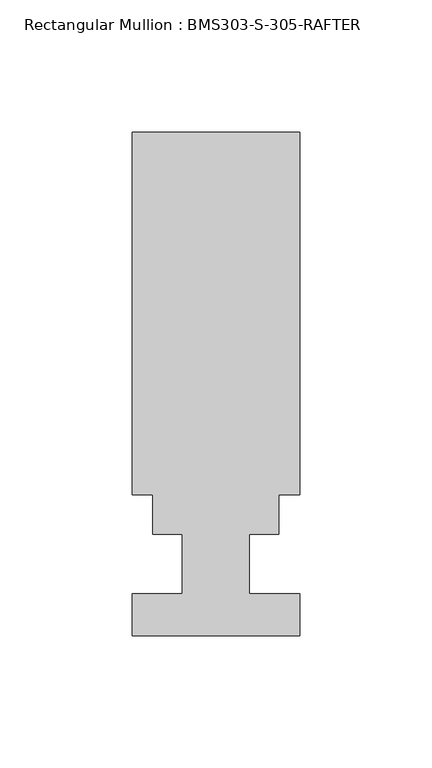
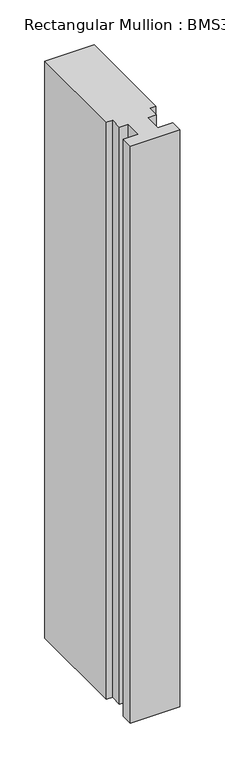
"""IFC4 building model written with IfcOpenShell, lengths in millimetres: member geometry, Rectangular Mullion : BMS303-S-305-RAFTER."""

import ifcopenshell
import ifcopenshell.guid

model = None  # the IFC model being written
_history = None  # IfcOwnerHistory: only IFC2X3 demands one
_inside = {}  # id of a spatial element -> (the spatial element, [elements in it])
_under = {}  # id of a project, library or spatial element -> (it, [spatial elements below it])
_declared = {}  # id of a project -> (the project, [libraries it declares])
_typed = {}  # id of a type object -> (the type object, [elements of that type])
_made_of = {}  # id of a material, layer set ... -> (it, [elements and type objects made of it])


def new_model(schema):
    """Start an empty IFC model of exactly this schema.

    Asked for "IFC4X3", IfcOpenShell would pick the latest addendum, in which some entities
    have other attributes; the version numbers below select the first issue.
    IFC2X3 requires an IfcOwnerHistory on every rooted entity: one is made here for all.
    """
    global model, _history
    if schema == "IFC4X3":
        model = ifcopenshell.file(schema_version=(4, 3, 0, 0))
    else:
        model = ifcopenshell.file(schema=schema)
    _inside.clear()
    _under.clear()
    _declared.clear()
    _typed.clear()
    _made_of.clear()
    _history = None
    if model.schema == "IFC2X3":
        org = make("IfcOrganization", Name="unknown")
        user = make(
            "IfcPersonAndOrganization",
            ThePerson=make("IfcPerson", FamilyName="unknown"),
            TheOrganization=org,
        )
        app = make(
            "IfcApplication",
            ApplicationDeveloper=org,
            Version="unknown",
            ApplicationFullName="unknown",
            ApplicationIdentifier="unknown",
        )
        _history = make(
            "IfcOwnerHistory",
            OwningUser=user,
            OwningApplication=app,
            ChangeAction="ADDED",
            CreationDate=0,
        )
    return model


def make(cls, **values):
    """One entity of the class cls with the attributes given. An attribute that is None is left unset."""
    return model.create_entity(
        cls, **{name: value for name, value in values.items() if value is not None}
    )


def rooted(cls, **values):
    """An entity with a GlobalId (a new one), such as an element, a storey or a relation."""
    return make(cls, GlobalId=ifcopenshell.guid.new(), OwnerHistory=_history, **values)


def si_unit(unit_type, name, prefix=None):
    """IfcSIUnit, for example si_unit("LENGTHUNIT", "METRE", prefix="MILLI")."""
    return make("IfcSIUnit", UnitType=unit_type, Prefix=prefix, Name=name)


def assignment(units):
    """IfcUnitAssignment: the units of a project."""
    return None if units is None else make("IfcUnitAssignment", Units=units)


def point(xyz):
    """IfcCartesianPoint."""
    return None if xyz is None else make("IfcCartesianPoint", Coordinates=xyz)


def direction(xyz):
    """IfcDirection."""
    return None if xyz is None else make("IfcDirection", DirectionRatios=xyz)


def frame(location, z_axis=None, x_axis=None):
    """IfcAxis2Placement3D, a coordinate frame: its origin and axes. An axis left out is left unset."""
    return make(
        "IfcAxis2Placement3D",
        Location=point(location),
        Axis=direction(z_axis),
        RefDirection=direction(x_axis),
    )


def origin():
    """The frame at (0, 0, 0) with its axes left unset."""
    return frame((0.0, 0.0, 0.0))


def place(relative_to, where):
    """IfcLocalPlacement: puts the frame where relative to a parent placement (None: the world)."""
    return make(
        "IfcLocalPlacement", PlacementRelTo=relative_to, RelativePlacement=where
    )


def context(
    kind, dimensions, precision=None, world=None, true_north=None, identifier=None
):
    """IfcGeometricRepresentationContext, for example the 3D "Model" context."""
    return make(
        "IfcGeometricRepresentationContext",
        ContextIdentifier=identifier,
        ContextType=kind,
        CoordinateSpaceDimension=dimensions,
        Precision=precision,
        WorldCoordinateSystem=world,
        TrueNorth=true_north,
    )


def project(units=None, contexts=None):
    """IfcProject with its units and contexts."""
    return rooted(
        "IfcProject",
        Name="project",
        RepresentationContexts=contexts,
        UnitsInContext=assignment(units),
    )


def spatial(cls, under=None, at=None, **own):
    """A site, building, storey or space (cls), placed at a placement, below another one or the project."""
    s = rooted(cls, ObjectPlacement=at, **own)
    if under is not None:
        _under.setdefault(under.id(), (under, []))[1].append(s)
    return s


def polyline(points):
    """IfcPolyline through the points."""
    return make("IfcPolyline", Points=[point(p) for p in points])


def outline(outer, holes=None, kind="AREA"):
    """IfcArbitraryClosedProfileDef: a profile drawn as a closed curve; with holes, ...WithVoids."""
    if holes is None:
        return make("IfcArbitraryClosedProfileDef", ProfileType=kind, OuterCurve=outer)
    return make(
        "IfcArbitraryProfileDefWithVoids",
        ProfileType=kind,
        OuterCurve=outer,
        InnerCurves=holes,
    )


def extrude(swept, where, along, depth):
    """IfcExtrudedAreaSolid: the profile swept, set in the frame where, extruded along a direction by depth."""
    return make(
        "IfcExtrudedAreaSolid",
        SweptArea=swept,
        Position=where,
        ExtrudedDirection=direction(along),
        Depth=depth,
    )


def shape(context_of_items, identifier, shape_type, items):
    """IfcShapeRepresentation: the items that make up one representation, for example the "Body"."""
    return make(
        "IfcShapeRepresentation",
        ContextOfItems=context_of_items,
        RepresentationIdentifier=identifier,
        RepresentationType=shape_type,
        Items=items,
    )


def source(mapping_origin, context_of_items, identifier, shape_type, items):
    """IfcRepresentationMap: a shape defined once, which mapped items show again and again."""
    return make(
        "IfcRepresentationMap",
        MappingOrigin=mapping_origin,
        MappedRepresentation=shape(context_of_items, identifier, shape_type, items),
    )


def transform(
    local_origin,
    x_axis=None,
    y_axis=None,
    z_axis=None,
    scale=None,
    scale2=None,
    scale3=None,
    uniform=True,
):
    """IfcCartesianTransformationOperator3D, or its non-uniform kind. x_axis, y_axis, z_axis: its Axis1, 2, 3."""
    if uniform:
        return make(
            "IfcCartesianTransformationOperator3D",
            Axis1=direction(x_axis),
            Axis2=direction(y_axis),
            LocalOrigin=point(local_origin),
            Scale=scale,
            Axis3=direction(z_axis),
        )
    return make(
        "IfcCartesianTransformationOperator3DnonUniform",
        Axis1=direction(x_axis),
        Axis2=direction(y_axis),
        LocalOrigin=point(local_origin),
        Scale=scale,
        Axis3=direction(z_axis),
        Scale2=scale2,
        Scale3=scale3,
    )


def mapped(mapping_source, mapping_target):
    """IfcMappedItem: shows the shape of a source again, moved by a transform."""
    return make(
        "IfcMappedItem", MappingSource=mapping_source, MappingTarget=mapping_target
    )


def made_of(thing, what):
    """Note that an element or type object is made of a material, layer set ...; save() writes the relation."""
    if what is not None:
        _made_of.setdefault(what.id(), (what, []))[1].append(thing)
    return thing


def element(
    cls,
    number,
    at=None,
    inside=None,
    cuts=None,
    type_object=None,
    material=None,
    context=None,
    identifier="Body",
    shape_type=None,
    held_by="IfcProductDefinitionShape",
    body=None,
    shapes=None,
    **own,
):
    """One element of the class cls, such as IfcWall. Its Tag is "e" and its number.

    at: its placement. inside: the storey or other place that contains it. cuts: it is an
    opening in that element (IfcRelVoidsElement). A single representation is given by context,
    identifier, shape_type and body (its items); several are given by shapes. held_by: the class
    of the entity that holds the representations. save() writes the other relations.
    """
    e = rooted(cls, Tag="e%d" % number, ObjectPlacement=at, **own)
    if body is not None:
        shapes = [shape(context, identifier, shape_type, body)]
    if shapes is not None:
        e.Representation = make(held_by, Representations=shapes)
    if inside is not None:
        _inside.setdefault(inside.id(), (inside, []))[1].append(e)
    if cuts is not None:
        rooted(
            "IfcRelVoidsElement", RelatingBuildingElement=cuts, RelatedOpeningElement=e
        )
    if type_object is not None:
        _typed.setdefault(type_object.id(), (type_object, []))[1].append(e)
    return made_of(e, material)


def aggregate(whole, parts):
    """IfcRelAggregates: a whole, such as a stair, and the parts it consists of."""
    return rooted("IfcRelAggregates", RelatingObject=whole, RelatedObjects=parts)


def save(model, path):
    """Write the relations noted so far, then the file.

    IfcRelAggregates (storeys below a building ...), IfcRelContainedInSpatialStructure (elements
    in a storey), IfcRelDefinesByType, IfcRelAssociatesMaterial and IfcRelDeclares: one each for
    every whole, place, type object, material and project.
    """
    for whole, parts in _under.values():
        aggregate(whole, parts)
    for where, things in _inside.values():
        rooted(
            "IfcRelContainedInSpatialStructure",
            RelatedElements=things,
            RelatingStructure=where,
        )
    for kind, things in _typed.values():
        rooted("IfcRelDefinesByType", RelatedObjects=things, RelatingType=kind)
    for what, things in _made_of.values():
        rooted("IfcRelAssociatesMaterial", RelatedObjects=things, RelatingMaterial=what)
    for by, libraries in _declared.values():
        rooted("IfcRelDeclares", RelatingContext=by, RelatedDefinitions=libraries)
    model.write(path)


def rectangular_mullion_bms303_s_305_rafter_9bb63f69(model_context):
    return source(origin(), model_context, "Body", "SweptSolid", [
        extrude(outline(polyline([(-31.75, 77.371575), (-31.75, 214.709375), (31.75, 214.709375), (31.75, 77.371575), (23.8252, 77.371575), (23.8252, 62.309375), (12.7, 62.309375), (12.7, 39.830375), (31.75, 39.830375), (31.75, 23.955375), (-31.75, 23.955375), (-31.75, 39.855775), (-12.7, 39.855775), (-12.7, 62.309375), (-23.8252, 62.309375), (-23.8252, 77.371575), (-31.75, 77.371575)])), frame((0.0, 0.0, -785.1272189), z_axis=(0.0, 0.0, 1.0), x_axis=(1.0, 0.0, 0.0)), (0.0, 0.0, 1.0), 785.1272189),
    ])


if __name__ == "__main__":
    model = new_model("IFC4")
    model_context = context("Model", 3, world=origin())
    ifc_project = project(units=[si_unit("LENGTHUNIT", "METRE", prefix="MILLI")], contexts=[model_context])
    site = spatial("IfcSite", under=ifc_project)
    building = spatial("IfcBuilding", under=site)
    placement = place(None, origin())
    rectangular_mullion_bms303_s_305_rafter_shape = rectangular_mullion_bms303_s_305_rafter_9bb63f69(model_context)
    element("IfcMember", 1, ObjectType="Rectangular Mullion : BMS303-S-305-RAFTER", at=placement, inside=building, context=model_context, shape_type="MappedRepresentation", body=[
        mapped(rectangular_mullion_bms303_s_305_rafter_shape, transform((0.0, 0.0, 0.0), x_axis=(1.0, 0.0, 0.0), y_axis=(0.0, 1.0, 0.0), z_axis=(0.0, 0.0, 1.0))),
    ])
    save(model, "model.ifc")
